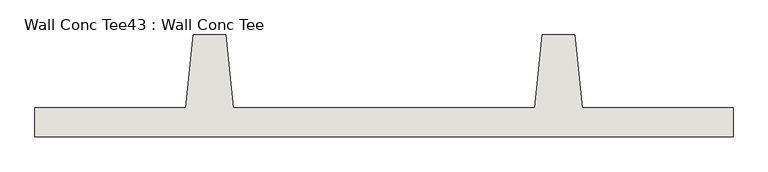
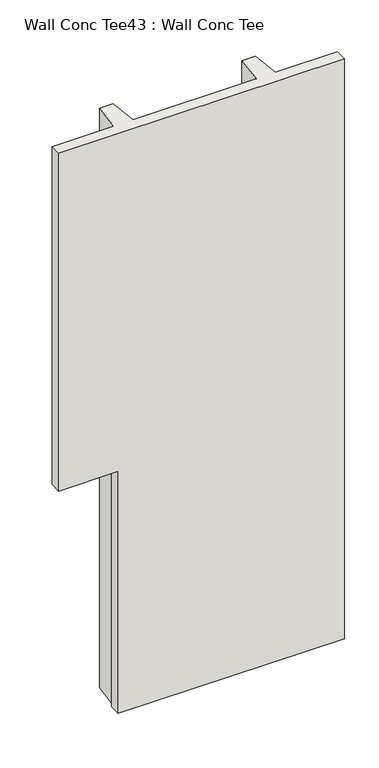
"""IFC4 building model written with IfcOpenShell, lengths in millimetres: wall geometry, Wall Conc Tee43 : Wall Conc Tee."""

from ifc_helpers import new_model, si_unit, origin, place, context, project, spatial, faceted_brep, source, transform, mapped, element, save


def wall_conc_tee43_wall_conc_tee_63208365(model_context):
    return source(origin(), model_context, "Body", "Brep", [
        faceted_brep([(239433.8728488, 193104.2596581, 5376.1679688), (239433.8728488, 193205.8596581, 5376.1679688), (238906.8228488, 193205.8596581, 5376.1679688), (238881.4228488, 193459.8596581, 5376.1679688), (238767.1228488, 193459.8596581, 5376.1679688), (238741.7228488, 193205.8596581, 5376.1679688), (237687.6228488, 193205.8596581, 5376.1679688), (237662.2228488, 193459.8596581, 5376.1679688), (237547.9228488, 193459.8596581, 5376.1679688), (237522.5228488, 193205.8596581, 5376.1679688), (236995.4728488, 193205.8596581, 5376.1679688), (236995.4728488, 193104.2596581, 5376.1679688), (237522.5228488, 193205.8596581, 143.7592564), (237547.9228488, 193459.8596581, 143.7592564), (237662.2228488, 193459.8596581, 143.7592564), (237687.6228488, 193205.8596581, 143.7592564), (238741.7228488, 193205.8596581, 143.7592564), (238767.1228488, 193459.8596581, 143.7592564), (238881.4228488, 193459.8596581, 143.7592564), (238906.8228488, 193205.8596581, 143.7592564), (239433.8728488, 193205.8596581, 143.7592564), (239433.8728488, 193104.2596581, 143.7592564), (237503.4728488, 193104.2596581, 143.7592564), (237503.4728488, 193205.8596581, 143.7592564), (236995.4728488, 193104.2596581, 2328.1592564), (237503.4728488, 193104.2596581, 2328.1592564), (236995.4728488, 193205.8596581, 2328.1592564), (237503.4728488, 193205.8596581, 2328.1592564)], [[[0, 1, 2, 3, 4, 5, 6, 7, 8, 9, 10, 11]], [[12, 13, 14, 15, 16, 17, 18, 19, 20, 21, 22, 23]], [[0, 11, 24, 25, 22, 21]], [[11, 10, 26, 24]], [[10, 9, 12, 23, 27, 26]], [[9, 8, 13, 12]], [[8, 7, 14, 13]], [[7, 6, 15, 14]], [[6, 5, 16, 15]], [[5, 4, 17, 16]], [[4, 3, 18, 17]], [[3, 2, 19, 18]], [[2, 1, 20, 19]], [[1, 0, 21, 20]], [[27, 25, 24, 26]], [[25, 27, 23, 22]]]),
    ])


if __name__ == "__main__":
    model = new_model("IFC4")
    model_context = context("Model", 3, world=origin())
    ifc_project = project(units=[si_unit("LENGTHUNIT", "METRE", prefix="MILLI")], contexts=[model_context])
    site = spatial("IfcSite", under=ifc_project)
    building = spatial("IfcBuilding", under=site)
    placement = place(None, origin())
    wall_conc_tee43_wall_conc_tee_shape = wall_conc_tee43_wall_conc_tee_63208365(model_context)
    element("IfcWall", 1, ObjectType="Wall Conc Tee43 : Wall Conc Tee", at=placement, inside=building, context=model_context, shape_type="MappedRepresentation", body=[
        mapped(wall_conc_tee43_wall_conc_tee_shape, transform((0.0, 0.0, 0.0), x_axis=(1.0, 0.0, 0.0), y_axis=(0.0, 1.0, 0.0), z_axis=(0.0, 0.0, 1.0))),
    ])
    save(model, "model.ifc")
